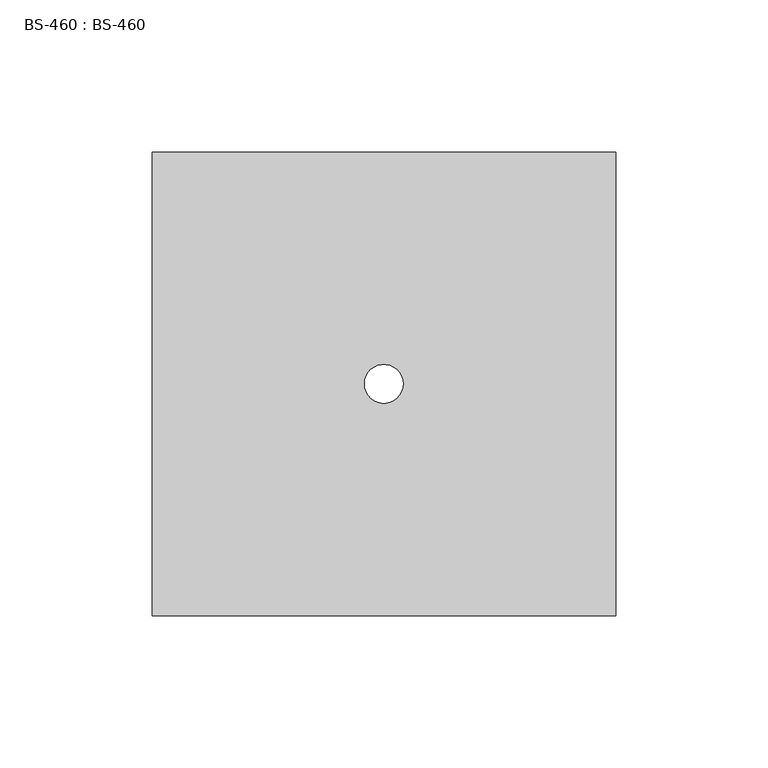
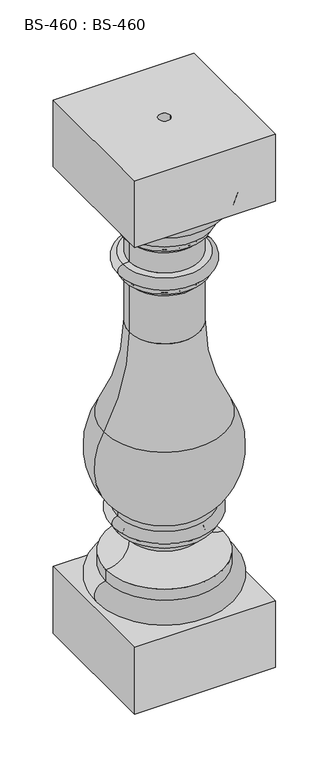
"""IFC4 building model written with IfcOpenShell, lengths in millimetres: proxy geometry, BS-460 : BS-460."""

from ifc_helpers import new_model, si_unit, point, frame, origin, origin_with_axes, place, context, project, spatial, polyline, circle_curve, ellipse_curve, trimmed, source, transform, mapped, element, save
from ifc_brep_helpers import plane_surface, cylinder_surface, revolved_surface, advanced_brep


def bs_460_bs_460_a9a09c02(model_context):
    return source(origin(), model_context, "Body", "AdvancedBrep", [
        advanced_brep(
        [(-76.2, -76.2, 609.6), (-76.2, -76.2, 533.4), (76.2, -76.2, 533.4), (76.2, -76.2, 609.6), (-76.2, 76.2, 609.6), (76.2, 76.2, 609.6), (76.2, 76.2, 533.4), (-76.2, 76.2, 533.4), (69.85, 0.0, 533.4), (-69.85, 0.0, 533.4), (6.35, 0.0, 609.6), (-6.35, 0.0, 609.6), (-63.5, 0.0, 114.3), (63.5, 0.0, 114.3), (63.5, 0.0, 101.6), (-63.5, 0.0, 101.6), (-38.1, 0.0, 139.7), (38.1, 0.0, 139.7), (-50.8, 0.0, 152.4), (50.8, 0.0, 152.4), (-50.8, 0.0, 158.75), (50.8, 0.0, 158.75), (-50.8, 0.0, 171.45), (50.8, 0.0, 171.45), (-50.8, 0.0, 177.8), (50.8, 0.0, 177.8), (-65.9863928, 0.0, 272.7043406), (65.9863928, 0.0, 272.7043406), (-38.1, 0.0, 377.1530663), (38.1, 0.0, 377.1530663), (-38.1, 0.0, 431.8), (38.1, 0.0, 431.8), (-44.45, 0.0, 438.15), (44.45, 0.0, 438.15), (-44.45, 0.0, 444.5), (44.45, 0.0, 444.5), (-45.1944828, 0.0, 457.1562069), (45.1944828, 0.0, 457.1562069), (-38.1, 0.0, 457.99375), (38.1, 0.0, 457.99375), (-38.1, 0.0, 481.0125), (38.1, 0.0, 481.0125), (-44.45, 0.0, 487.3625), (44.45, 0.0, 487.3625), (-44.45, 0.0, 493.7125), (44.45, 0.0, 493.7125), (-45.1555562, 0.0, 506.3731813), (45.1555562, 0.0, 506.3731813), (-44.4504986, 0.0, 507.190149), (44.4504986, 0.0, 507.190149), (-45.219697, 0.0, 508.0116648), (45.219697, 0.0, 508.0116648), (63.5, 0.0, 76.2), (-63.5, 0.0, 76.2), (-76.2, -76.2, 76.2), (-76.2, -76.2, 0.0), (76.2, -76.2, 0.0), (76.2, -76.2, 76.2), (-76.2, 76.2, 76.2), (76.2, 76.2, 76.2), (76.2, 76.2, 0.0), (-76.2, 76.2, 0.0), (-6.35, 0.0, 0.0), (6.35, 0.0, 0.0)],
        [
            (0, 1),
            (1, 2),
            (2, 3),
            (3, 0),
            (4, 5),
            (5, 6),
            (6, 7),
            (7, 4),
            (0, 4),
            (7, 1),
            (6, 2),
            (8, 9, circle_curve(frame((0.0, 0.0, 533.4), z_axis=(0.0, 0.0, 1.0), x_axis=(1.0, 0.0, 0.0)), 69.85)),
            (9, 8, circle_curve(frame((0.0, 0.0, 533.4), z_axis=(0.0, 0.0, 1.0), x_axis=(1.0, 0.0, 0.0)), 69.85)),
            (5, 3),
            (10, 11, circle_curve(frame((0.0, 0.0, 609.6), z_axis=(0.0, 0.0, -1.0), x_axis=(1.0, 0.0, 0.0)), 6.35)),
            (11, 10, circle_curve(frame((0.0, 0.0, 609.6), z_axis=(0.0, 0.0, -1.0), x_axis=(1.0, 0.0, 0.0)), 6.35)),
            (12, 13, circle_curve(frame((0.0, 0.0, 114.3), z_axis=(0.0, 0.0, -1.0), x_axis=(1.0, 0.0, 0.0)), 63.5)),
            (13, 14),
            (14, 15, circle_curve(frame((0.0, 0.0, 101.6), z_axis=(0.0, 0.0, 1.0), x_axis=(1.0, 0.0, 0.0)), 63.5)),
            (15, 12),
            (13, 12, circle_curve(frame((0.0, 0.0, 114.3), z_axis=(0.0, 0.0, -1.0), x_axis=(1.0, 0.0, 0.0)), 63.5)),
            (15, 14, circle_curve(frame((0.0, 0.0, 101.6), z_axis=(0.0, 0.0, 1.0), x_axis=(1.0, 0.0, 0.0)), 63.5)),
            (12, 16, circle_curve(frame((-63.5, 0.0, 139.7), z_axis=(0.0, -1.0, 0.0), x_axis=(-1.0, 0.0, 0.0)), 25.4)),
            (16, 17, circle_curve(frame((0.0, 0.0, 139.7), z_axis=(0.0, 0.0, -1.0), x_axis=(1.0, 0.0, 0.0)), 38.1)),
            (17, 13, circle_curve(frame((63.5, 0.0, 139.7), z_axis=(0.0, -1.0, 0.0), x_axis=(1.0, 0.0, 0.0)), 25.4)),
            (17, 16, circle_curve(frame((0.0, 0.0, 139.7), z_axis=(0.0, 0.0, -1.0), x_axis=(1.0, 0.0, 0.0)), 38.1)),
            (16, 18, circle_curve(frame((-50.8, 0.0, 139.7), z_axis=(0.0, -1.0, 0.0), x_axis=(-1.0, 0.0, 0.0)), 12.7)),
            (18, 19, circle_curve(frame((0.0, 0.0, 152.4), z_axis=(0.0, 0.0, -1.0), x_axis=(1.0, 0.0, 0.0)), 50.8)),
            (19, 17, circle_curve(frame((50.8, 0.0, 139.7), z_axis=(0.0, -1.0, 0.0), x_axis=(1.0, 0.0, 0.0)), 12.7)),
            (19, 18, circle_curve(frame((0.0, 0.0, 152.4), z_axis=(0.0, 0.0, -1.0), x_axis=(1.0, 0.0, 0.0)), 50.8)),
            (18, 20),
            (20, 21, circle_curve(frame((0.0, 0.0, 158.75), z_axis=(0.0, 0.0, -1.0), x_axis=(1.0, 0.0, 0.0)), 50.8)),
            (21, 19),
            (21, 20, circle_curve(frame((0.0, 0.0, 158.75), z_axis=(0.0, 0.0, -1.0), x_axis=(1.0, 0.0, 0.0)), 50.8)),
            (20, 22, circle_curve(frame((-50.8, 0.0, 165.1), z_axis=(0.0, 1.0, 0.0), x_axis=(-1.0, 0.0, 0.0)), 6.35)),
            (22, 23, circle_curve(frame((0.0, 0.0, 171.45), z_axis=(0.0, 0.0, -1.0), x_axis=(1.0, 0.0, 0.0)), 50.8)),
            (23, 21, circle_curve(frame((50.8, 0.0, 165.1), z_axis=(0.0, 1.0, 0.0), x_axis=(1.0, 0.0, 0.0)), 6.35)),
            (23, 22, circle_curve(frame((0.0, 0.0, 171.45), z_axis=(0.0, 0.0, -1.0), x_axis=(1.0, 0.0, 0.0)), 50.8)),
            (22, 24),
            (24, 25, circle_curve(frame((0.0, 0.0, 177.8), z_axis=(0.0, 0.0, -1.0), x_axis=(1.0, 0.0, 0.0)), 50.8)),
            (25, 23),
            (25, 24, circle_curve(frame((0.0, 0.0, 177.8), z_axis=(0.0, 0.0, -1.0), x_axis=(1.0, 0.0, 0.0)), 50.8)),
            (24, 26, circle_curve(frame((0.2297887, 0.0, 234.6328969), z_axis=(0.0, 1.0, 0.0), x_axis=(-1.0, 0.0, 0.0)), 76.3807404)),
            (26, 27, circle_curve(frame((0.0, 0.0, 272.7043406), z_axis=(0.0, 0.0, -1.0), x_axis=(1.0, 0.0, 0.0)), 65.9863928)),
            (27, 25, circle_curve(frame((-0.2297887, 0.0, 234.6328969), z_axis=(0.0, 1.0, 0.0), x_axis=(1.0, 0.0, 0.0)), 76.3807404)),
            (27, 26, circle_curve(frame((0.0, 0.0, 272.7043406), z_axis=(0.0, 0.0, -1.0), x_axis=(1.0, 0.0, 0.0)), 65.9863928)),
            (26, 28, circle_curve(frame((-247.65, 0.0, 377.1530663), z_axis=(0.0, -1.0, 0.0), x_axis=(-1.0, 0.0, 0.0)), 209.55)),
            (28, 29, circle_curve(frame((0.0, 0.0, 377.1530663), z_axis=(0.0, 0.0, -1.0), x_axis=(1.0, 0.0, 0.0)), 38.1)),
            (29, 27, circle_curve(frame((247.65, 0.0, 377.1530663), z_axis=(0.0, -1.0, 0.0), x_axis=(1.0, 0.0, 0.0)), 209.55)),
            (29, 28, circle_curve(frame((0.0, 0.0, 377.1530663), z_axis=(0.0, 0.0, -1.0), x_axis=(1.0, 0.0, 0.0)), 38.1)),
            (28, 30),
            (30, 31, circle_curve(frame((0.0, 0.0, 431.8), z_axis=(0.0, 0.0, -1.0), x_axis=(1.0, 0.0, 0.0)), 38.1)),
            (31, 29),
            (31, 30, circle_curve(frame((0.0, 0.0, 431.8), z_axis=(0.0, 0.0, -1.0), x_axis=(1.0, 0.0, 0.0)), 38.1)),
            (30, 32, circle_curve(frame((-44.45, 0.0, 431.8), z_axis=(0.0, -1.0, 0.0), x_axis=(-1.0, 0.0, 0.0)), 6.35)),
            (32, 33, circle_curve(frame((0.0, 0.0, 438.15), z_axis=(0.0, 0.0, -1.0), x_axis=(1.0, 0.0, 0.0)), 44.45)),
            (33, 31, circle_curve(frame((44.45, 0.0, 431.8), z_axis=(0.0, -1.0, 0.0), x_axis=(1.0, 0.0, 0.0)), 6.35)),
            (33, 32, circle_curve(frame((0.0, 0.0, 438.15), z_axis=(0.0, 0.0, -1.0), x_axis=(1.0, 0.0, 0.0)), 44.45)),
            (32, 34),
            (34, 35, circle_curve(frame((0.0, 0.0, 444.5), z_axis=(0.0, 0.0, -1.0), x_axis=(1.0, 0.0, 0.0)), 44.45)),
            (35, 33),
            (35, 34, circle_curve(frame((0.0, 0.0, 444.5), z_axis=(0.0, 0.0, -1.0), x_axis=(1.0, 0.0, 0.0)), 44.45)),
            (34, 36, circle_curve(frame((-44.45, 0.0, 450.85), z_axis=(0.0, 1.0, 0.0), x_axis=(-1.0, 0.0, 0.0)), 6.35)),
            (36, 37, circle_curve(frame((0.0, 0.0, 457.1562069), z_axis=(0.0, 0.0, -1.0), x_axis=(1.0, 0.0, 0.0)), 45.1944828)),
            (37, 35, circle_curve(frame((44.45, 0.0, 450.85), z_axis=(0.0, 1.0, 0.0), x_axis=(1.0, 0.0, 0.0)), 6.35)),
            (37, 36, circle_curve(frame((0.0, 0.0, 457.1562069), z_axis=(0.0, 0.0, -1.0), x_axis=(1.0, 0.0, 0.0)), 45.1944828)),
            (36, 38),
            (38, 39, circle_curve(frame((0.0, 0.0, 457.99375), z_axis=(0.0, 0.0, -1.0), x_axis=(1.0, 0.0, 0.0)), 38.1)),
            (39, 37),
            (39, 38, circle_curve(frame((0.0, 0.0, 457.99375), z_axis=(0.0, 0.0, -1.0), x_axis=(1.0, 0.0, 0.0)), 38.1)),
            (38, 40),
            (40, 41, circle_curve(frame((0.0, 0.0, 481.0125), z_axis=(0.0, 0.0, -1.0), x_axis=(1.0, 0.0, 0.0)), 38.1)),
            (41, 39),
            (41, 40, circle_curve(frame((0.0, 0.0, 481.0125), z_axis=(0.0, 0.0, -1.0), x_axis=(1.0, 0.0, 0.0)), 38.1)),
            (40, 42, circle_curve(frame((-44.45, 0.0, 481.0125), z_axis=(0.0, -1.0, 0.0), x_axis=(-1.0, 0.0, 0.0)), 6.35)),
            (42, 43, circle_curve(frame((0.0, 0.0, 487.3625), z_axis=(0.0, 0.0, -1.0), x_axis=(1.0, 0.0, 0.0)), 44.45)),
            (43, 41, circle_curve(frame((44.45, 0.0, 481.0125), z_axis=(0.0, -1.0, 0.0), x_axis=(1.0, 0.0, 0.0)), 6.35)),
            (43, 42, circle_curve(frame((0.0, 0.0, 487.3625), z_axis=(0.0, 0.0, -1.0), x_axis=(1.0, 0.0, 0.0)), 44.45)),
            (42, 44),
            (44, 45, circle_curve(frame((0.0, 0.0, 493.7125), z_axis=(0.0, 0.0, -1.0), x_axis=(1.0, 0.0, 0.0)), 44.45)),
            (45, 43),
            (45, 44, circle_curve(frame((0.0, 0.0, 493.7125), z_axis=(0.0, 0.0, -1.0), x_axis=(1.0, 0.0, 0.0)), 44.45)),
            (44, 46, circle_curve(frame((-44.4500061, 0.0, 500.0625), z_axis=(0.0, 1.0, 0.0), x_axis=(-1.0, 0.0, 0.0)), 6.35)),
            (46, 47, circle_curve(frame((0.0, 0.0, 506.3731813), z_axis=(0.0, 0.0, -1.0), x_axis=(1.0, 0.0, 0.0)), 45.1555562)),
            (47, 45, circle_curve(frame((44.4500061, 0.0, 500.0625), z_axis=(0.0, 1.0, 0.0), x_axis=(1.0, 0.0, 0.0)), 6.35)),
            (47, 46, circle_curve(frame((0.0, 0.0, 506.3731813), z_axis=(0.0, 0.0, -1.0), x_axis=(1.0, 0.0, 0.0)), 45.1555562)),
            (46, 48, circle_curve(frame((-45.2437499, 0.0, 507.1620165), z_axis=(0.0, -1.0, 0.0), x_axis=(-1.0, 0.0, 0.0)), 0.79375)),
            (48, 49, circle_curve(frame((0.0, 0.0, 507.190149), z_axis=(0.0, 0.0, -1.0), x_axis=(1.0, 0.0, 0.0)), 44.4504986)),
            (49, 47, circle_curve(frame((45.2437499, 0.0, 507.1620165), z_axis=(0.0, -1.0, 0.0), x_axis=(1.0, 0.0, 0.0)), 0.79375)),
            (49, 48, circle_curve(frame((0.0, 0.0, 507.190149), z_axis=(0.0, 0.0, -1.0), x_axis=(1.0, 0.0, 0.0)), 44.4504986)),
            (48, 50, circle_curve(frame((-45.24375, 0.0, 507.2182793), z_axis=(0.0, -1.0, 0.0), x_axis=(-1.0, 0.0, 0.0)), 0.79375)),
            (50, 51, circle_curve(frame((0.0, 0.0, 508.0116648), z_axis=(0.0, 0.0, -1.0), x_axis=(1.0, 0.0, 0.0)), 45.219697)),
            (51, 49, circle_curve(frame((45.24375, 0.0, 507.2182793), z_axis=(0.0, -1.0, 0.0), x_axis=(1.0, 0.0, 0.0)), 0.79375)),
            (51, 50, circle_curve(frame((0.0, 0.0, 508.0116648), z_axis=(0.0, 0.0, -1.0), x_axis=(1.0, 0.0, 0.0)), 45.219697)),
            (50, 9, circle_curve(frame((-44.45, 0.0, 533.4), z_axis=(0.0, 1.0, 0.0), x_axis=(-1.0, 0.0, 0.0)), 25.4)),
            (8, 51, circle_curve(frame((44.45, 0.0, 533.4), z_axis=(0.0, 1.0, 0.0), x_axis=(1.0, 0.0, 0.0)), 25.4)),
            (14, 52, circle_curve(frame((63.5, 0.0, 88.9), z_axis=(0.0, 1.0, 0.0), x_axis=(1.0, 0.0, 0.0)), 12.7)),
            (52, 53, circle_curve(frame((0.0, 0.0, 76.2), z_axis=(0.0, 0.0, 1.0), x_axis=(1.0, 0.0, 0.0)), 63.5)),
            (53, 15, circle_curve(frame((-63.5, 0.0, 88.9), z_axis=(0.0, 1.0, 0.0), x_axis=(-1.0, 0.0, 0.0)), 12.7)),
            (53, 52, circle_curve(frame((0.0, 0.0, 76.2), z_axis=(0.0, 0.0, 1.0), x_axis=(1.0, 0.0, 0.0)), 63.5)),
            (54, 55),
            (55, 56),
            (56, 57),
            (57, 54),
            (58, 59),
            (59, 60),
            (60, 61),
            (61, 58),
            (54, 58),
            (61, 55),
            (60, 56),
            (62, 63, circle_curve(origin_with_axes(), 6.35)),
            (63, 62, circle_curve(origin_with_axes(), 6.35)),
            (59, 57),
            (10, 63),
            (62, 11),
        ],
        [
            plane_surface(frame((-76.2, -76.2, 533.4), z_axis=(0.0, -1.0, 0.0), x_axis=(0.0, 0.0, -1.0))),
            plane_surface(frame((-76.2, 76.2, 533.4), z_axis=(0.0, 1.0, 0.0), x_axis=(0.0, 0.0, 1.0))),
            plane_surface(frame((-76.2, -76.2, 609.6), z_axis=(-1.0, 0.0, 0.0), x_axis=(0.0, 1.0, 0.0))),
            plane_surface(frame((-76.2, -76.2, 533.4), z_axis=(0.0, 0.0, -1.0), x_axis=(0.0, 1.0, 0.0))),
            plane_surface(frame((76.2, -76.2, 533.4), z_axis=(1.0, 0.0, 0.0), x_axis=(0.0, 1.0, 0.0))),
            plane_surface(frame((76.2, -76.2, 609.6), z_axis=(0.0, 0.0, 1.0), x_axis=(0.0, 1.0, 0.0))),
            cylinder_surface(frame((0.0, 0.0, 533.4), z_axis=(0.0, 0.0, 1.0), x_axis=(1.0, 0.0, 0.0)), 63.5),
            revolved_surface(trimmed(ellipse_curve(frame((63.5, 0.0, 139.7), z_axis=(0.0, 1.0, 0.0), x_axis=(1.0, 0.0, 0.0)), 25.4, 25.4), [point((63.5, 0.0, 114.3))], [point((38.1, 0.0, 139.7))], True, "CARTESIAN"), (0.0, 0.0, 533.4), (0.0, 0.0, 1.0)),
            revolved_surface(trimmed(ellipse_curve(frame((50.8, 0.0, 139.7), z_axis=(0.0, 1.0, 0.0), x_axis=(1.0, 0.0, 0.0)), 12.7, 12.7), [point((38.1, 0.0, 139.7))], [point((50.8, 0.0, 152.4))], True, "CARTESIAN"), (0.0, 0.0, 533.4), (0.0, 0.0, 1.0)),
            cylinder_surface(frame((0.0, 0.0, 533.4), z_axis=(0.0, 0.0, 1.0), x_axis=(1.0, 0.0, 0.0)), 50.8),
            revolved_surface(trimmed(ellipse_curve(frame((50.8, 0.0, 165.1), z_axis=(0.0, -1.0, 0.0), x_axis=(1.0, 0.0, 0.0)), 6.35, 6.35), [point((50.8, 0.0, 158.75))], [point((50.8, 0.0, 171.45))], True, "CARTESIAN"), (0.0, 0.0, 533.4), (0.0, 0.0, 1.0)),
            revolved_surface(trimmed(ellipse_curve(frame((-0.2297887, 0.0, 234.6328969), z_axis=(0.0, -1.0, 0.0), x_axis=(1.0, 0.0, 0.0)), 76.3807404, 76.3807404), [point((50.8, 0.0, 177.8))], [point((65.9863928, 0.0, 272.7043406))], True, "CARTESIAN"), (0.0, 0.0, 533.4), (0.0, 0.0, 1.0)),
            revolved_surface(trimmed(ellipse_curve(frame((247.65, 0.0, 377.1530663), z_axis=(0.0, 1.0, 0.0), x_axis=(1.0, 0.0, 0.0)), 209.55, 209.55), [point((65.9863928, 0.0, 272.7043406))], [point((38.1, 0.0, 377.1530663))], True, "CARTESIAN"), (0.0, 0.0, 533.4), (0.0, 0.0, 1.0)),
            cylinder_surface(frame((0.0, 0.0, 533.4), z_axis=(0.0, 0.0, 1.0), x_axis=(1.0, 0.0, 0.0)), 38.1),
            revolved_surface(trimmed(ellipse_curve(frame((44.45, 0.0, 431.8), z_axis=(0.0, 1.0, 0.0), x_axis=(1.0, 0.0, 0.0)), 6.35, 6.35), [point((38.1, 0.0, 431.8))], [point((44.45, 0.0, 438.15))], True, "CARTESIAN"), (0.0, 0.0, 533.4), (0.0, 0.0, 1.0)),
            cylinder_surface(frame((0.0, 0.0, 533.4), z_axis=(0.0, 0.0, 1.0), x_axis=(1.0, 0.0, 0.0)), 44.45),
            revolved_surface(trimmed(ellipse_curve(frame((44.45, 0.0, 450.85), z_axis=(0.0, -1.0, 0.0), x_axis=(1.0, 0.0, 0.0)), 6.35, 6.35), [point((44.45, 0.0, 444.5))], [point((45.1944828, 0.0, 457.1562069))], True, "CARTESIAN"), (0.0, 0.0, 533.4), (0.0, 0.0, 1.0)),
            revolved_surface(polyline([(45.1944828, 0.0, 457.1562069), (38.1, 0.0, 457.99375)]), (0.0, 0.0, 533.4), (0.0, 0.0, 1.0)),
            revolved_surface(trimmed(ellipse_curve(frame((44.45, 0.0, 481.0125), z_axis=(0.0, 1.0, 0.0), x_axis=(1.0, 0.0, 0.0)), 6.35, 6.35), [point((38.1, 0.0, 481.0125))], [point((44.45, 0.0, 487.3625))], True, "CARTESIAN"), (0.0, 0.0, 533.4), (0.0, 0.0, 1.0)),
            revolved_surface(trimmed(ellipse_curve(frame((44.4500061, 0.0, 500.0625), z_axis=(0.0, -1.0, 0.0), x_axis=(1.0, 0.0, 0.0)), 6.35, 6.35), [point((44.45, 0.0, 493.7125))], [point((45.1555562, 0.0, 506.3731813))], True, "CARTESIAN"), (0.0, 0.0, 533.4), (0.0, 0.0, 1.0)),
            revolved_surface(trimmed(ellipse_curve(frame((45.2437499, 0.0, 507.1620165), z_axis=(0.0, 1.0, 0.0), x_axis=(1.0, 0.0, 0.0)), 0.79375, 0.79375), [point((45.1555562, 0.0, 506.3731813))], [point((44.4504986, 0.0, 507.190149))], True, "CARTESIAN"), (0.0, 0.0, 533.4), (0.0, 0.0, 1.0)),
            revolved_surface(trimmed(ellipse_curve(frame((45.24375, 0.0, 507.2182793), z_axis=(0.0, 1.0, 0.0), x_axis=(1.0, 0.0, 0.0)), 0.79375, 0.79375), [point((44.4504986, 0.0, 507.190149))], [point((45.219697, 0.0, 508.0116648))], True, "CARTESIAN"), (0.0, 0.0, 533.4), (0.0, 0.0, 1.0)),
            revolved_surface(trimmed(ellipse_curve(frame((44.45, 0.0, 533.4), z_axis=(0.0, -1.0, 0.0), x_axis=(1.0, 0.0, 0.0)), 25.4, 25.4), [point((45.219697, 0.0, 508.0116648))], [point((69.85, 0.0, 533.4))], True, "CARTESIAN"), (0.0, 0.0, 533.4), (0.0, 0.0, 1.0)),
            revolved_surface(trimmed(ellipse_curve(frame((63.5, 0.0, 88.9), z_axis=(0.0, -1.0, 0.0), x_axis=(1.0, 0.0, 0.0)), 12.7, 12.7), [point((63.5, 0.0, 76.2))], [point((63.5, 0.0, 101.6))], True, "CARTESIAN"), (0.0, 0.0, 533.4), (0.0, 0.0, 1.0)),
            plane_surface(frame((-76.2, -76.2, 0.0), z_axis=(0.0, -1.0, 0.0), x_axis=(0.0, 0.0, -1.0))),
            plane_surface(frame((-76.2, 76.2, 0.0), z_axis=(0.0, 1.0, 0.0), x_axis=(0.0, 0.0, 1.0))),
            plane_surface(frame((-76.2, -76.2, 76.2), z_axis=(-1.0, 0.0, 0.0), x_axis=(0.0, 1.0, 0.0))),
            plane_surface(frame((-76.2, -76.2, 0.0), z_axis=(0.0, 0.0, -1.0), x_axis=(0.0, 1.0, 0.0))),
            plane_surface(frame((76.2, -76.2, 0.0), z_axis=(1.0, 0.0, 0.0), x_axis=(0.0, 1.0, 0.0))),
            plane_surface(frame((76.2, -76.2, 76.2), z_axis=(0.0, 0.0, 1.0), x_axis=(0.0, 1.0, 0.0))),
            revolved_surface(polyline([(6.35, 0.0, 609.6), (6.35, 0.0, 0.0)]), (0.0, 0.0, 0.0), (0.0, 0.0, 1.0)),
        ],
        [
            (0, [[1, 2, 3, 4]]),
            (1, [[5, 6, 7, 8]]),
            (2, [[-1, 9, -8, 10]]),
            (3, [[-2, -10, -7, 11], [12, 13]]),
            (4, [[-3, -11, -6, 14]]),
            (5, [[-4, -14, -5, -9], [15, 16]]),
            (6, [[17, 18, 19, 20]]),
            (6, [[-18, 21, -20, 22]]),
            (7, [[-17, 23, 24, 25]]),
            (7, [[-21, -25, 26, -23]]),
            (8, [[-24, 27, 28, 29]]),
            (8, [[-26, -29, 30, -27]]),
            (9, [[-28, 31, 32, 33]]),
            (9, [[-30, -33, 34, -31]]),
            (10, [[-32, 35, 36, 37]]),
            (10, [[-34, -37, 38, -35]]),
            (9, [[-36, 39, 40, 41]]),
            (9, [[-38, -41, 42, -39]]),
            (11, [[-40, 43, 44, 45]]),
            (11, [[-42, -45, 46, -43]]),
            (12, [[-44, 47, 48, 49]]),
            (12, [[-46, -49, 50, -47]]),
            (13, [[-48, 51, 52, 53]]),
            (13, [[-50, -53, 54, -51]]),
            (14, [[-52, 55, 56, 57]]),
            (14, [[-54, -57, 58, -55]]),
            (15, [[-56, 59, 60, 61]]),
            (15, [[-58, -61, 62, -59]]),
            (16, [[-60, 63, 64, 65]]),
            (16, [[-62, -65, 66, -63]]),
            (17, [[-64, 67, 68, 69]]),
            (17, [[-66, -69, 70, -67]]),
            (13, [[-68, 71, 72, 73]]),
            (13, [[-70, -73, 74, -71]]),
            (18, [[-72, 75, 76, 77]]),
            (18, [[-74, -77, 78, -75]]),
            (15, [[-76, 79, 80, 81]]),
            (15, [[-78, -81, 82, -79]]),
            (19, [[-80, 83, 84, 85]]),
            (19, [[-82, -85, 86, -83]]),
            (20, [[-84, 87, 88, 89]]),
            (20, [[-86, -89, 90, -87]]),
            (21, [[-88, 91, 92, 93]]),
            (21, [[-90, -93, 94, -91]]),
            (22, [[-92, 95, -12, 96]]),
            (22, [[-94, -96, -13, -95]]),
            (23, [[-19, 97, 98, 99]]),
            (23, [[-22, -99, 100, -97]]),
            (24, [[101, 102, 103, 104]]),
            (25, [[105, 106, 107, 108]]),
            (26, [[-101, 109, -108, 110]]),
            (27, [[-102, -110, -107, 111], [112, 113]]),
            (28, [[-103, -111, -106, 114]]),
            (29, [[-104, -114, -105, -109], [-98, -100]]),
            (30, [[115, -112, 116, -15]]),
            (30, [[-115, -16, -116, -113]]),
        ],
    ),
    ])


if __name__ == "__main__":
    model = new_model("IFC4")
    model_context = context("Model", 3, world=origin())
    ifc_project = project(units=[si_unit("LENGTHUNIT", "METRE", prefix="MILLI")], contexts=[model_context])
    site = spatial("IfcSite", under=ifc_project)
    building = spatial("IfcBuilding", under=site)
    placement = place(None, origin())
    bs_460_bs_460_shape = bs_460_bs_460_a9a09c02(model_context)
    element("IfcBuildingElementProxy", 1, Name="BS-460 : BS-460", ObjectType="BS-460 : BS-460", at=placement, inside=building, context=model_context, shape_type="MappedRepresentation", body=[
        mapped(bs_460_bs_460_shape, transform((0.0, 0.0, 0.0), x_axis=(1.0, 0.0, 0.0), y_axis=(0.0, 1.0, 0.0), z_axis=(0.0, 0.0, 1.0))),
    ])
    save(model, "model.ifc")
